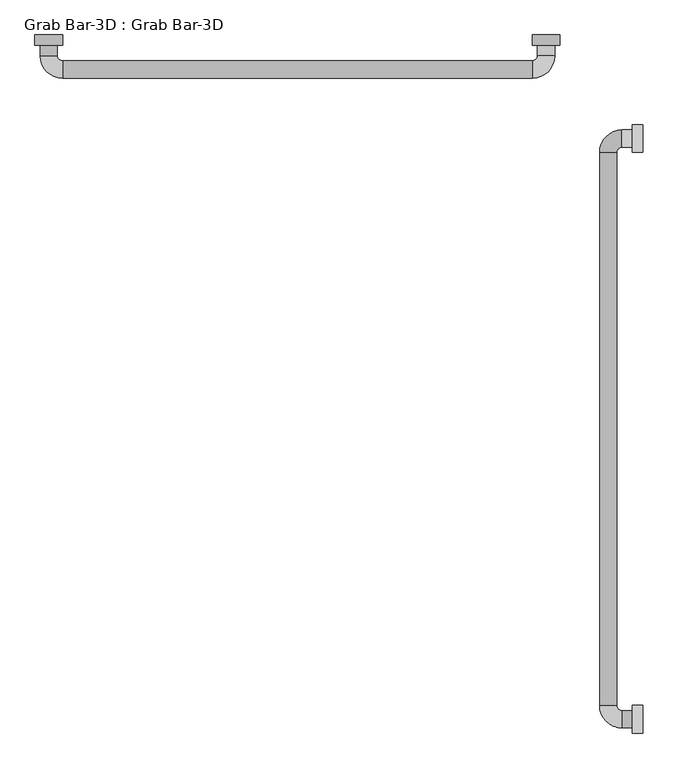
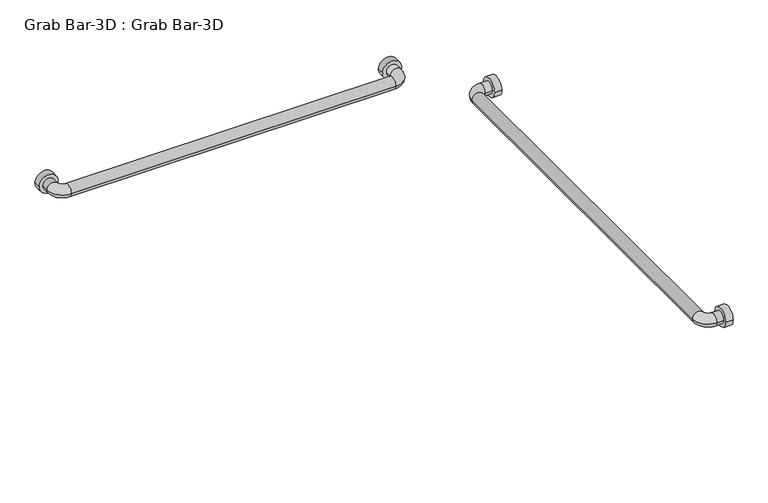
"""IFC4 building model written with IfcOpenShell, lengths in millimetres: proxy geometry, Grab Bar-3D : Grab Bar-3D."""

from ifc_helpers import new_model, si_unit, point, frame, frame_2d, origin, place, context, project, spatial, circle_curve, ellipse_curve, trimmed, segment, composite_curve, outline, extrude, source, transform, mapped, element, save
from ifc_brep_helpers import plane_surface, cylinder_surface, revolved_surface, advanced_brep


def grab_bar_3d_grab_bar_3d_982fd8f4(model_context):
    return source(origin(), model_context, "Body", "SolidModel", [
        extrude(outline(composite_curve([segment(trimmed(circle_curve(frame_2d((-190.5, 914.4)), 25.4), [point((-165.1, 914.4))], [point((-215.9, 914.4))], False, "CARTESIAN"), True, "CONTINUOUS"), segment(trimmed(circle_curve(frame_2d((-190.5, 914.4)), 25.4), [point((-215.9, 914.4))], [point((-165.1, 914.4))], False, "CARTESIAN"), True, "CONTINUOUS")], self_intersect=False)), frame((-19.05, 0.0, 0.0), z_axis=(1.0, 0.0, 0.0), x_axis=(0.0, 1.0, 0.0)), (0.0, 0.0, 1.0), 19.05),
        extrude(outline(composite_curve([segment(trimmed(circle_curve(frame_2d((-1257.3, 914.4)), 25.4), [point((-1231.9, 914.4))], [point((-1282.7, 914.4))], False, "CARTESIAN"), True, "CONTINUOUS"), segment(trimmed(circle_curve(frame_2d((-1257.3, 914.4)), 25.4), [point((-1282.7, 914.4))], [point((-1231.9, 914.4))], False, "CARTESIAN"), True, "CONTINUOUS")], self_intersect=False)), frame((-19.05, 0.0, 0.0), z_axis=(1.0, 0.0, 0.0), x_axis=(0.0, 1.0, 0.0)), (0.0, 0.0, 1.0), 19.05),
        extrude(outline(composite_curve([segment(trimmed(circle_curve(frame_2d((914.4, -177.8)), 25.4), [point((914.4, -203.2))], [point((914.4, -152.4))], False, "CARTESIAN"), True, "CONTINUOUS"), segment(trimmed(circle_curve(frame_2d((914.4, -177.8)), 25.4), [point((914.4, -152.4))], [point((914.4, -203.2))], False, "CARTESIAN"), True, "CONTINUOUS")], self_intersect=False)), frame((0.0, -19.05, 0.0), z_axis=(0.0, 1.0, 0.0), x_axis=(0.0, 0.0, 1.0)), (0.0, 0.0, 1.0), 19.05),
        extrude(outline(composite_curve([segment(trimmed(circle_curve(frame_2d((914.4, -1092.2)), 25.4), [point((914.4, -1117.6))], [point((914.4, -1066.8))], False, "CARTESIAN"), True, "CONTINUOUS"), segment(trimmed(circle_curve(frame_2d((914.4, -1092.2)), 25.4), [point((914.4, -1066.8))], [point((914.4, -1117.6))], False, "CARTESIAN"), True, "CONTINUOUS")], self_intersect=False)), frame((0.0, -19.05, 0.0), z_axis=(0.0, 1.0, 0.0), x_axis=(0.0, 0.0, 1.0)), (0.0, 0.0, 1.0), 19.05),
        advanced_brep(
        [(-19.05, -206.375, 914.4), (-19.05, -174.625, 914.4), (-38.1, -174.625, 914.4), (-38.1, -206.375, 914.4), (-79.375, -215.9, 914.4), (-47.625, -215.9, 914.4), (-79.375, -1231.9, 914.4), (-47.625, -1231.9, 914.4), (-38.1, -1273.175, 914.4), (-38.1, -1241.425, 914.4), (-19.05, -1241.425, 914.4), (-19.05, -1273.175, 914.4)],
        [
            (0, 1, circle_curve(frame((-19.05, -190.5, 914.4), z_axis=(1.0, 0.0, 0.0), x_axis=(0.0, 1.0, 0.0)), 15.875)),
            (1, 0, circle_curve(frame((-19.05, -190.5, 914.4), z_axis=(1.0, 0.0, 0.0), x_axis=(0.0, 1.0, 0.0)), 15.875)),
            (1, 2),
            (2, 3, circle_curve(frame((-38.1, -190.5, 914.4), z_axis=(1.0, 0.0, 0.0), x_axis=(0.0, 1.0, 0.0)), 15.875)),
            (3, 0),
            (3, 2, circle_curve(frame((-38.1, -190.5, 914.4), z_axis=(1.0, 0.0, 0.0), x_axis=(0.0, 1.0, 0.0)), 15.875)),
            (4, 5, circle_curve(frame((-63.5, -215.9, 914.4), z_axis=(0.0, 1.0, 0.0), x_axis=(-1.0, 0.0, 0.0)), 15.875)),
            (5, 3, circle_curve(frame((-38.1, -215.9, 914.4), z_axis=(0.0, 0.0, -1.0), x_axis=(0.0, 1.0, 0.0)), 9.525)),
            (2, 4, circle_curve(frame((-38.1, -215.9, 914.4), z_axis=(0.0, 0.0, 1.0), x_axis=(0.0, 1.0, 0.0)), 41.275)),
            (5, 4, circle_curve(frame((-63.5, -215.9, 914.4), z_axis=(0.0, 1.0, 0.0), x_axis=(-1.0, 0.0, 0.0)), 15.875)),
            (4, 6),
            (6, 7, circle_curve(frame((-63.5, -1231.9, 914.4), z_axis=(0.0, 1.0, 0.0), x_axis=(-1.0, 0.0, 0.0)), 15.875)),
            (7, 5),
            (7, 6, circle_curve(frame((-63.5, -1231.9, 914.4), z_axis=(0.0, 1.0, 0.0), x_axis=(-1.0, 0.0, 0.0)), 15.875)),
            (8, 9, circle_curve(frame((-38.1, -1257.3, 914.4), z_axis=(-1.0, 0.0, 0.0), x_axis=(0.0, -1.0, 0.0)), 15.875)),
            (9, 7, circle_curve(frame((-38.1, -1231.9, 914.4), z_axis=(0.0, 0.0, -1.0), x_axis=(-1.0, 0.0, 0.0)), 9.525)),
            (6, 8, circle_curve(frame((-38.1, -1231.9, 914.4), z_axis=(0.0, 0.0, 1.0), x_axis=(-1.0, 0.0, 0.0)), 41.275)),
            (9, 8, circle_curve(frame((-38.1, -1257.3, 914.4), z_axis=(-1.0, 0.0, 0.0), x_axis=(0.0, -1.0, 0.0)), 15.875)),
            (10, 11, circle_curve(frame((-19.05, -1257.3, 914.4), z_axis=(1.0, 0.0, 0.0), x_axis=(0.0, -1.0, 0.0)), 15.875)),
            (11, 10, circle_curve(frame((-19.05, -1257.3, 914.4), z_axis=(1.0, 0.0, 0.0), x_axis=(0.0, -1.0, 0.0)), 15.875)),
            (8, 11),
            (10, 9),
        ],
        [
            plane_surface(frame((-19.05, -190.5, -930.275), z_axis=(1.0, 0.0, 0.0), x_axis=(0.0, 1.0, 0.0))),
            cylinder_surface(frame((-19.05, -190.5, 914.4), z_axis=(1.0, 0.0, 0.0), x_axis=(0.0, 1.0, 0.0)), 15.875),
            revolved_surface(trimmed(ellipse_curve(frame((-38.1, -190.5, 914.4), z_axis=(-1.0, 0.0, 0.0), x_axis=(0.0, 1.0, 0.0)), 15.875, 15.875), [point((-38.1, -206.375, 914.4))], [point((-38.1, -174.625, 914.4))], True, "CARTESIAN"), (-38.1, -215.9, 0.0), (0.0, 0.0, -1.0)),
            revolved_surface(trimmed(ellipse_curve(frame((-38.1, -190.5, 914.4), z_axis=(-1.0, 0.0, 0.0), x_axis=(0.0, 1.0, 0.0)), 15.875, 15.875), [point((-38.1, -174.625, 914.4))], [point((-38.1, -206.375, 914.4))], True, "CARTESIAN"), (-38.1, -215.9, 0.0), (0.0, 0.0, -1.0)),
            cylinder_surface(frame((-63.5, -215.9, 914.4), z_axis=(0.0, 1.0, 0.0), x_axis=(-1.0, 0.0, 0.0)), 15.875),
            revolved_surface(trimmed(ellipse_curve(frame((-63.5, -1231.9, 914.4), z_axis=(0.0, -1.0, 0.0), x_axis=(-1.0, 0.0, 0.0)), 15.875, 15.875), [point((-47.625, -1231.9, 914.4))], [point((-79.375, -1231.9, 914.4))], True, "CARTESIAN"), (-38.1, -1231.9, 0.0), (0.0, 0.0, -1.0)),
            revolved_surface(trimmed(ellipse_curve(frame((-63.5, -1231.9, 914.4), z_axis=(0.0, -1.0, 0.0), x_axis=(-1.0, 0.0, 0.0)), 15.875, 15.875), [point((-79.375, -1231.9, 914.4))], [point((-47.625, -1231.9, 914.4))], True, "CARTESIAN"), (-38.1, -1231.9, 0.0), (0.0, 0.0, -1.0)),
            plane_surface(frame((-19.05, -1257.3, -930.275), z_axis=(1.0, 0.0, 0.0), x_axis=(0.0, -1.0, 0.0))),
            cylinder_surface(frame((-38.1, -1257.3, 914.4), z_axis=(-1.0, 0.0, 0.0), x_axis=(0.0, -1.0, 0.0)), 15.875),
        ],
        [
            (0, [[1, 2]]),
            (1, [[3, 4, 5, -2]]),
            (1, [[-5, 6, -3, -1]]),
            (2, [[7, 8, -4, 9]]),
            (3, [[10, -9, -6, -8]]),
            (4, [[11, 12, 13, -7]]),
            (4, [[-13, 14, -11, -10]]),
            (5, [[15, 16, -12, 17]]),
            (6, [[18, -17, -14, -16]]),
            (7, [[19, 20]]),
            (8, [[21, -19, 22, -15]]),
            (8, [[-22, -20, -21, -18]]),
        ],
    ),
        advanced_brep(
        [(-1076.325, -19.05, 914.4), (-1108.075, -19.05, 914.4), (-1108.075, -38.1, 914.4), (-1076.325, -38.1, 914.4), (-1066.8, -79.375, 914.4), (-1066.8, -47.625, 914.4), (-203.2, -79.375, 914.4), (-203.2, -47.625, 914.4), (-161.925, -38.1, 914.4), (-193.675, -38.1, 914.4), (-193.675, -19.05, 914.4), (-161.925, -19.05, 914.4)],
        [
            (0, 1, circle_curve(frame((-1092.2, -19.05, 914.4), z_axis=(0.0, 1.0, 0.0), x_axis=(-1.0, 0.0, 0.0)), 15.875)),
            (1, 0, circle_curve(frame((-1092.2, -19.05, 914.4), z_axis=(0.0, 1.0, 0.0), x_axis=(-1.0, 0.0, 0.0)), 15.875)),
            (1, 2),
            (2, 3, circle_curve(frame((-1092.2, -38.1, 914.4), z_axis=(0.0, 1.0, 0.0), x_axis=(-1.0, 0.0, 0.0)), 15.875)),
            (3, 0),
            (3, 2, circle_curve(frame((-1092.2, -38.1, 914.4), z_axis=(0.0, 1.0, 0.0), x_axis=(-1.0, 0.0, 0.0)), 15.875)),
            (4, 5, circle_curve(frame((-1066.8, -63.5, 914.4), z_axis=(-1.0, 0.0, 0.0), x_axis=(0.0, -1.0, 0.0)), 15.875)),
            (5, 3, circle_curve(frame((-1066.8, -38.1, 914.4), z_axis=(0.0, 0.0, -1.0), x_axis=(-1.0, 0.0, 0.0)), 9.525)),
            (2, 4, circle_curve(frame((-1066.8, -38.1, 914.4), z_axis=(0.0, 0.0, 1.0), x_axis=(-1.0, 0.0, 0.0)), 41.275)),
            (5, 4, circle_curve(frame((-1066.8, -63.5, 914.4), z_axis=(-1.0, 0.0, 0.0), x_axis=(0.0, -1.0, 0.0)), 15.875)),
            (4, 6),
            (6, 7, circle_curve(frame((-203.2, -63.5, 914.4), z_axis=(-1.0, 0.0, 0.0), x_axis=(0.0, -1.0, 0.0)), 15.875)),
            (7, 5),
            (7, 6, circle_curve(frame((-203.2, -63.5, 914.4), z_axis=(-1.0, 0.0, 0.0), x_axis=(0.0, -1.0, 0.0)), 15.875)),
            (8, 9, circle_curve(frame((-177.8, -38.1, 914.4), z_axis=(0.0, -1.0, 0.0), x_axis=(1.0, 0.0, 0.0)), 15.875)),
            (9, 7, circle_curve(frame((-203.2, -38.1, 914.4), z_axis=(0.0, 0.0, -1.0), x_axis=(0.0, -1.0, 0.0)), 9.525)),
            (6, 8, circle_curve(frame((-203.2, -38.1, 914.4), z_axis=(0.0, 0.0, 1.0), x_axis=(0.0, -1.0, 0.0)), 41.275)),
            (9, 8, circle_curve(frame((-177.8, -38.1, 914.4), z_axis=(0.0, -1.0, 0.0), x_axis=(1.0, 0.0, 0.0)), 15.875)),
            (10, 11, circle_curve(frame((-177.8, -19.05, 914.4), z_axis=(0.0, 1.0, 0.0), x_axis=(1.0, 0.0, 0.0)), 15.875)),
            (11, 10, circle_curve(frame((-177.8, -19.05, 914.4), z_axis=(0.0, 1.0, 0.0), x_axis=(1.0, 0.0, 0.0)), 15.875)),
            (8, 11),
            (10, 9),
        ],
        [
            plane_surface(frame((-2022.475, -19.05, 0.0), z_axis=(0.0, 1.0, 0.0), x_axis=(0.0, 0.0, 1.0))),
            cylinder_surface(frame((-1092.2, -19.05, 914.4), z_axis=(0.0, 1.0, 0.0), x_axis=(-1.0, 0.0, 0.0)), 15.875),
            revolved_surface(trimmed(ellipse_curve(frame((-1092.2, -38.1, 914.4), z_axis=(0.0, -1.0, 0.0), x_axis=(-1.0, 0.0, 0.0)), 15.875, 15.875), [point((-1076.325, -38.1, 914.4))], [point((-1108.075, -38.1, 914.4))], True, "CARTESIAN"), (-1066.8, -38.1, 0.0), (0.0, 0.0, -1.0)),
            revolved_surface(trimmed(ellipse_curve(frame((-1092.2, -38.1, 914.4), z_axis=(0.0, -1.0, 0.0), x_axis=(-1.0, 0.0, 0.0)), 15.875, 15.875), [point((-1108.075, -38.1, 914.4))], [point((-1076.325, -38.1, 914.4))], True, "CARTESIAN"), (-1066.8, -38.1, 0.0), (0.0, 0.0, -1.0)),
            cylinder_surface(frame((-1066.8, -63.5, 914.4), z_axis=(-1.0, 0.0, 0.0), x_axis=(0.0, -1.0, 0.0)), 15.875),
            revolved_surface(trimmed(ellipse_curve(frame((-203.2, -63.5, 914.4), z_axis=(1.0, 0.0, 0.0), x_axis=(0.0, -1.0, 0.0)), 15.875, 15.875), [point((-203.2, -47.625, 914.4))], [point((-203.2, -79.375, 914.4))], True, "CARTESIAN"), (-203.2, -38.1, 0.0), (0.0, 0.0, -1.0)),
            revolved_surface(trimmed(ellipse_curve(frame((-203.2, -63.5, 914.4), z_axis=(1.0, 0.0, 0.0), x_axis=(0.0, -1.0, 0.0)), 15.875, 15.875), [point((-203.2, -79.375, 914.4))], [point((-203.2, -47.625, 914.4))], True, "CARTESIAN"), (-203.2, -38.1, 0.0), (0.0, 0.0, -1.0)),
            plane_surface(frame((-1108.075, -19.05, 0.0), z_axis=(0.0, 1.0, 0.0), x_axis=(0.0, 0.0, -1.0))),
            cylinder_surface(frame((-177.8, -38.1, 914.4), z_axis=(0.0, -1.0, 0.0), x_axis=(1.0, 0.0, 0.0)), 15.875),
        ],
        [
            (0, [[1, 2]]),
            (1, [[3, 4, 5, -2]]),
            (1, [[-5, 6, -3, -1]]),
            (2, [[7, 8, -4, 9]]),
            (3, [[10, -9, -6, -8]]),
            (4, [[11, 12, 13, -7]]),
            (4, [[-13, 14, -11, -10]]),
            (5, [[15, 16, -12, 17]]),
            (6, [[18, -17, -14, -16]]),
            (7, [[19, 20]]),
            (8, [[21, -19, 22, -15]]),
            (8, [[-22, -20, -21, -18]]),
        ],
    ),
    ])


if __name__ == "__main__":
    model = new_model("IFC4")
    model_context = context("Model", 3, world=origin())
    ifc_project = project(units=[si_unit("LENGTHUNIT", "METRE", prefix="MILLI")], contexts=[model_context])
    site = spatial("IfcSite", under=ifc_project)
    building = spatial("IfcBuilding", under=site)
    placement = place(None, origin())
    grab_bar_3d_grab_bar_3d_shape = grab_bar_3d_grab_bar_3d_982fd8f4(model_context)
    element("IfcBuildingElementProxy", 1, Name="Grab Bar-3D : Grab Bar-3D", ObjectType="Grab Bar-3D : Grab Bar-3D", at=placement, inside=building, context=model_context, shape_type="MappedRepresentation", body=[
        mapped(grab_bar_3d_grab_bar_3d_shape, transform((0.0, 0.0, 0.0), x_axis=(1.0, 0.0, 0.0), y_axis=(0.0, 1.0, 0.0), z_axis=(0.0, 0.0, 1.0))),
    ])
    save(model, "model.ifc")
